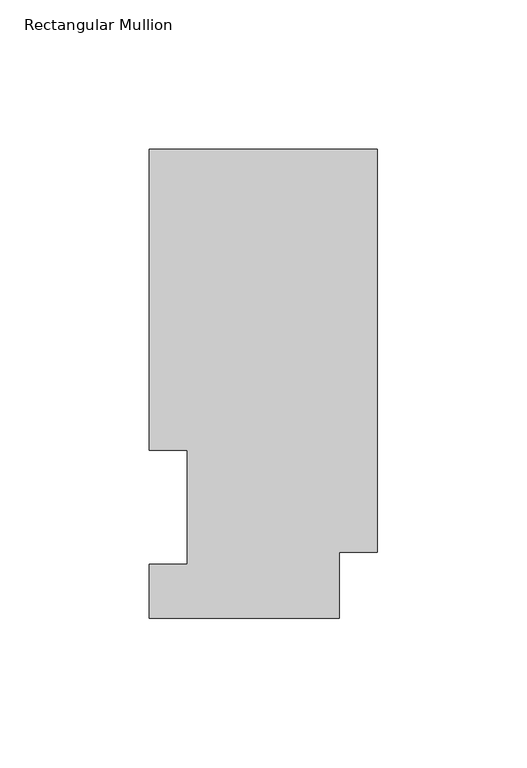
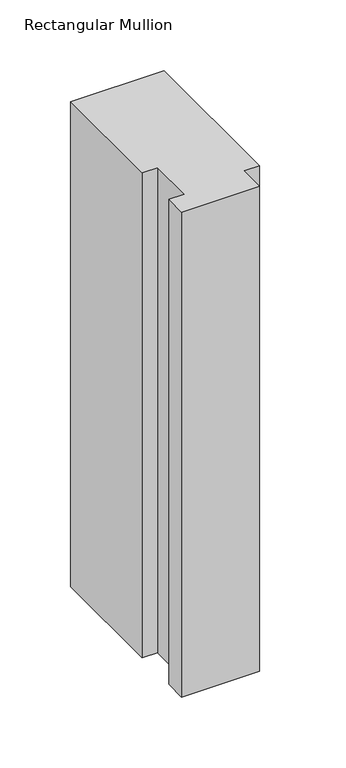
"""IFC4 building model written with IfcOpenShell, lengths in millimetres: member geometry, Rectangular Mullion."""

from ifc_helpers import new_model, si_unit, frame, origin, place, context, project, spatial, polyline, outline, extrude, source, transform, mapped, element, save


def rectangular_mullion_c3241be1(model_context):
    return source(origin(), model_context, "Body", "SweptSolid", [
        extrude(outline(polyline([(0.0, 157.3397822), (0.0, 22.6195299), (-12.7, 22.6195299), (-12.7, 0.5199062), (-76.2, 0.5199062), (-76.2, 18.5539062), (-63.5762, 18.5539062), (-63.5762, 56.6539063), (-76.2, 56.6539062), (-76.2, 157.3397822), (0.0, 157.3397822)])), frame((0.0, 0.0, -418.0073929), z_axis=(0.0, 0.0, 1.0), x_axis=(1.0, 0.0, 0.0)), (0.0, 0.0, 1.0), 418.0073929),
    ])


if __name__ == "__main__":
    model = new_model("IFC4")
    model_context = context("Model", 3, world=origin())
    ifc_project = project(units=[si_unit("LENGTHUNIT", "METRE", prefix="MILLI")], contexts=[model_context])
    site = spatial("IfcSite", under=ifc_project)
    building = spatial("IfcBuilding", under=site)
    placement = place(None, origin())
    rectangular_mullion_shape = rectangular_mullion_c3241be1(model_context)
    element("IfcMember", 1, ObjectType="Rectangular Mullion", at=placement, inside=building, context=model_context, shape_type="MappedRepresentation", body=[
        mapped(rectangular_mullion_shape, transform((0.0, 0.0, 0.0), x_axis=(1.0, 0.0, 0.0), y_axis=(0.0, 1.0, 0.0), z_axis=(0.0, 0.0, 1.0))),
    ])
    save(model, "model.ifc")
